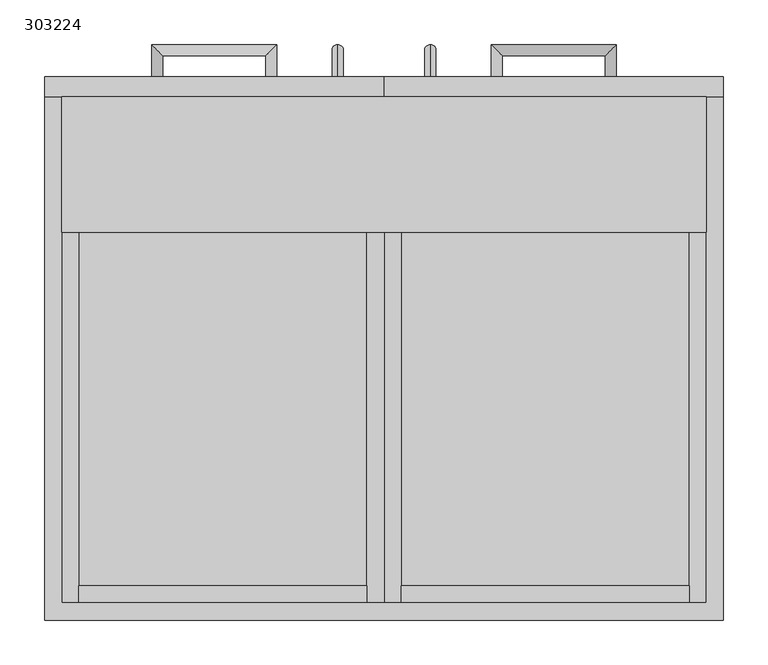
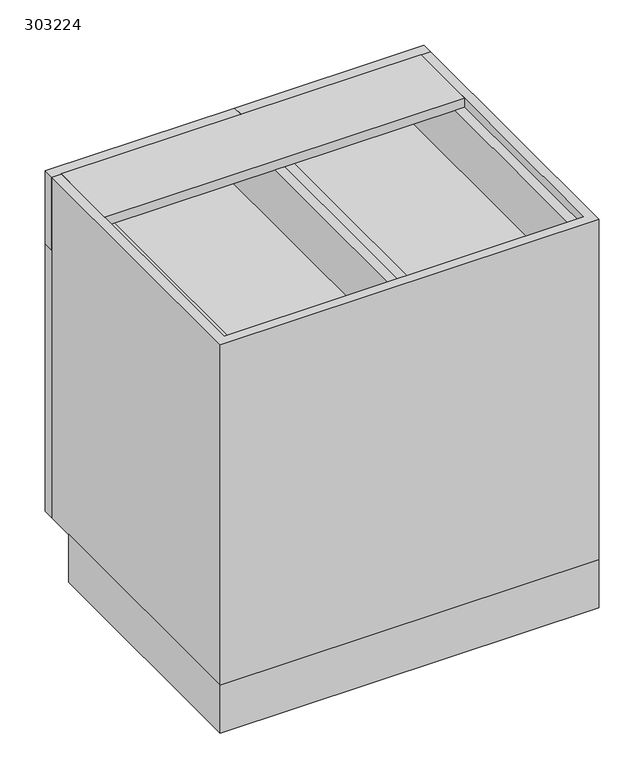
"""IFC4 building model written with IfcOpenShell, lengths in millimetres: furniture geometry, 303224."""

from ifc_helpers import new_model, si_unit, frame, origin, origin_with_axes, place, context, project, spatial, polyline, circle_curve, ellipse_curve, outline, extrude, source, transform, mapped, element, save
from ifc_brep_helpers import plane_surface, cylinder_surface, advanced_brep


def furniture_303224_de51c32a(model_context):
    return source(origin(), model_context, "Body", "SolidModel", [
        extrude(outline(polyline([(-0.4622951, 19.2), (-323.8622951, 19.2), (-323.8622951, 38.4), (-0.4622951, 38.4), (-0.4622951, 19.2)])), frame((0.0, 0.0, 689.125), z_axis=(0.0, 0.0, 1.0), x_axis=(1.0, 0.0, 0.0)), (0.0, 0.0, 1.0), 117.175),
        extrude(outline(polyline([(806.3, -0.4622951), (689.125, -0.4622951), (689.125, -323.8622951), (806.3, -323.8622951), (806.3, -343.0622951), (669.925, -343.0622951), (669.925, 18.7377049), (806.3, 18.7377049), (806.3, -0.4622951)])), frame((0.0, 19.2, 0.0), z_axis=(0.0, 1.0, 0.0), x_axis=(0.0, 0.0, 1.0)), (0.0, 0.0, 1.0), 568.4),
        extrude(outline(polyline([(37.9377049, 19.2), (37.9377049, 38.4), (361.3377049, 38.4), (361.3377049, 19.2), (37.9377049, 19.2)])), frame((0.0, 0.0, 689.125), z_axis=(0.0, 0.0, 1.0), x_axis=(1.0, 0.0, 0.0)), (0.0, 0.0, 1.0), 117.175),
        extrude(outline(polyline([(806.3, 18.7377049), (669.925, 18.7377049), (669.925, 380.5377049), (806.3, 380.5377049), (806.3, 361.3377049), (689.125, 361.3377049), (689.125, 37.9377049), (806.3, 37.9377049), (806.3, 18.7377049)])), frame((0.0, 19.2, 0.0), z_axis=(0.0, 1.0, 0.0), x_axis=(0.0, 0.0, 1.0)), (0.0, 0.0, 1.0), 568.4),
        extrude(outline(polyline([(-362.2622951, 0.0), (-362.2622951, 528.6), (399.7377049, 528.6), (399.7377049, 0.0), (-362.2622951, 0.0)]), holes=[polyline([(-343.0622951, 509.4), (-343.0622951, 19.2), (380.5377049, 19.2), (380.5377049, 509.4), (-343.0622951, 509.4)])]), origin_with_axes(), (0.0, 0.0, 1.0), 101.6),
        extrude(outline(polyline([(380.5377049, 587.6), (380.5377049, 19.2), (-343.0622951, 19.2), (-343.0622951, 587.6), (380.5377049, 587.6)])), frame((0.0, 0.0, 101.6), z_axis=(0.0, 0.0, 1.0), x_axis=(1.0, 0.0, 0.0)), (0.0, 0.0, 1.0), 19.2),
        extrude(outline(polyline([(9.1377049, 19.2), (9.1377049, 587.6), (28.3377049, 587.6), (28.3377049, 19.2), (9.1377049, 19.2)])), frame((0.0, 0.0, 120.8), z_axis=(0.0, 0.0, 1.0), x_axis=(1.0, 0.0, 0.0)), (0.0, 0.0, 1.0), 549.125),
        advanced_brep(
        [(-33.2622951, 609.6, 564.275), (-33.2622951, 609.6, 551.575), (-33.2622951, 633.25, 551.575), (-33.2622951, 645.95, 564.275), (-33.2622951, 633.25, 436.275), (-33.2622951, 645.95, 423.575), (-33.2622951, 609.6, 423.575), (-33.2622951, 609.6, 436.275)],
        [
            (0, 1, circle_curve(frame((-33.2622951, 609.6, 557.925), z_axis=(0.0, -1.0, 0.0), x_axis=(0.0, 0.0, -1.0)), 6.35)),
            (1, 0, circle_curve(frame((-33.2622951, 609.6, 557.925), z_axis=(0.0, -1.0, 0.0), x_axis=(0.0, 0.0, -1.0)), 6.35)),
            (1, 2),
            (2, 3, ellipse_curve(frame((-33.2622951, 639.6, 557.925), z_axis=(0.0, -0.7071067811865475, 0.7071067811865475), x_axis=(0.0, -0.7071067811865476, -0.7071067811865474)), 8.9802561, 6.35)),
            (3, 0),
            (3, 2, ellipse_curve(frame((-33.2622951, 639.6, 557.925), z_axis=(0.0, -0.7071067811865475, 0.7071067811865475), x_axis=(0.0, -0.7071067811865476, -0.7071067811865474)), 8.9802561, 6.35)),
            (2, 4),
            (4, 5, ellipse_curve(frame((-33.2622951, 639.6, 429.925), z_axis=(0.0, 0.7071067811865475, 0.7071067811865475), x_axis=(0.0, -0.7071067811865474, 0.7071067811865476)), 8.9802561, 6.35)),
            (5, 3),
            (5, 4, ellipse_curve(frame((-33.2622951, 639.6, 429.925), z_axis=(0.0, 0.7071067811865475, 0.7071067811865475), x_axis=(0.0, -0.7071067811865474, 0.7071067811865476)), 8.9802561, 6.35)),
            (6, 7, circle_curve(frame((-33.2622951, 609.6, 429.925), z_axis=(0.0, -1.0, 0.0), x_axis=(0.0, 0.0, 1.0)), 6.35)),
            (7, 6, circle_curve(frame((-33.2622951, 609.6, 429.925), z_axis=(0.0, -1.0, 0.0), x_axis=(0.0, 0.0, 1.0)), 6.35)),
            (4, 7),
            (6, 5),
        ],
        [
            plane_surface(frame((-33.2622951, 609.6, 557.925), z_axis=(0.0, -1.0, 0.0), x_axis=(1.0, 0.0, 0.0))),
            cylinder_surface(frame((-33.2622951, 609.6, 557.925), z_axis=(0.0, -1.0, 0.0), x_axis=(0.0, 0.0, -1.0)), 6.35),
            cylinder_surface(frame((-33.2622951, 639.6, 557.925), z_axis=(0.0, 0.0, 1.0), x_axis=(0.0, -1.0, 0.0)), 6.35),
            plane_surface(frame((-33.2622951, 609.6, 429.925), z_axis=(0.0, -1.0, 0.0), x_axis=(1.0, 0.0, 0.0))),
            cylinder_surface(frame((-33.2622951, 639.6, 429.925), z_axis=(0.0, 1.0, 0.0), x_axis=(0.0, 0.0, 1.0)), 6.35),
        ],
        [
            (0, [[1, 2]]),
            (1, [[3, 4, 5, -2]]),
            (1, [[-5, 6, -3, -1]]),
            (2, [[7, 8, 9, -4]]),
            (2, [[-9, 10, -7, -6]]),
            (3, [[11, 12]]),
            (4, [[13, -11, 14, -8]]),
            (4, [[-14, -12, -13, -10]]),
        ],
    ),
        extrude(outline(polyline([(-343.0622951, 435.2), (-343.0622951, 587.6), (380.5377049, 587.6), (380.5377049, 435.2), (-343.0622951, 435.2)])), frame((0.0, 0.0, 806.3), z_axis=(0.0, 0.0, 1.0), x_axis=(1.0, 0.0, 0.0)), (0.0, 0.0, 1.0), 19.2),
        extrude(outline(polyline([(9.1377049, 587.6), (9.1377049, 19.2), (-343.0622951, 19.2), (-343.0622951, 587.6), (9.1377049, 587.6)])), frame((0.0, 0.0, 385.7625), z_axis=(0.0, 0.0, 1.0), x_axis=(1.0, 0.0, 0.0)), (0.0, 0.0, 1.0), 19.2),
        extrude(outline(polyline([(380.5377049, 587.6), (380.5377049, 19.2), (28.3377049, 19.2), (28.3377049, 587.6), (380.5377049, 587.6)])), frame((0.0, 0.0, 385.7625), z_axis=(0.0, 0.0, 1.0), x_axis=(1.0, 0.0, 0.0)), (0.0, 0.0, 1.0), 19.2),
        advanced_brep(
        [(70.7377049, 609.6, 551.575), (70.7377049, 609.6, 564.275), (70.7377049, 645.95, 564.275), (70.7377049, 633.25, 551.575), (70.7377049, 645.95, 423.575), (70.7377049, 633.25, 436.275), (70.7377049, 609.6, 436.275), (70.7377049, 609.6, 423.575)],
        [
            (0, 1, circle_curve(frame((70.7377049, 609.6, 557.925), z_axis=(0.0, -1.0, 0.0), x_axis=(0.0, 0.0, 1.0)), 6.35)),
            (1, 0, circle_curve(frame((70.7377049, 609.6, 557.925), z_axis=(0.0, -1.0, 0.0), x_axis=(0.0, 0.0, 1.0)), 6.35)),
            (1, 2),
            (2, 3, ellipse_curve(frame((70.7377049, 639.6, 557.925), z_axis=(0.0, -0.7071067811865475, 0.7071067811865475), x_axis=(0.0, -0.7071067811865476, -0.7071067811865474)), 8.9802561, 6.35)),
            (3, 0),
            (3, 2, ellipse_curve(frame((70.7377049, 639.6, 557.925), z_axis=(0.0, -0.7071067811865475, 0.7071067811865475), x_axis=(0.0, -0.7071067811865476, -0.7071067811865474)), 8.9802561, 6.35)),
            (2, 4),
            (4, 5, ellipse_curve(frame((70.7377049, 639.6, 429.925), z_axis=(0.0, 0.7071067811865475, 0.7071067811865475), x_axis=(0.0, -0.7071067811865474, 0.7071067811865476)), 8.9802561, 6.35)),
            (5, 3),
            (5, 4, ellipse_curve(frame((70.7377049, 639.6, 429.925), z_axis=(0.0, 0.7071067811865475, 0.7071067811865475), x_axis=(0.0, -0.7071067811865474, 0.7071067811865476)), 8.9802561, 6.35)),
            (6, 7, circle_curve(frame((70.7377049, 609.6, 429.925), z_axis=(0.0, -1.0, 0.0), x_axis=(0.0, 0.0, -1.0)), 6.35)),
            (7, 6, circle_curve(frame((70.7377049, 609.6, 429.925), z_axis=(0.0, -1.0, 0.0), x_axis=(0.0, 0.0, -1.0)), 6.35)),
            (4, 7),
            (6, 5),
        ],
        [
            plane_surface(frame((70.7377049, 609.6, 557.925), z_axis=(0.0, -1.0, 0.0), x_axis=(-1.0, 0.0, 0.0))),
            cylinder_surface(frame((70.7377049, 609.6, 557.925), z_axis=(0.0, -1.0, 0.0), x_axis=(0.0, 0.0, 1.0)), 6.35),
            cylinder_surface(frame((70.7377049, 639.6, 557.925), z_axis=(0.0, 0.0, 1.0), x_axis=(0.0, 1.0, 0.0)), 6.35),
            plane_surface(frame((70.7377049, 609.6, 429.925), z_axis=(0.0, -1.0, 0.0), x_axis=(-1.0, 0.0, 0.0))),
            cylinder_surface(frame((70.7377049, 639.6, 429.925), z_axis=(0.0, 1.0, 0.0), x_axis=(0.0, 0.0, -1.0)), 6.35),
        ],
        [
            (0, [[1, 2]]),
            (1, [[3, 4, 5, -2]]),
            (1, [[-5, 6, -3, -1]]),
            (2, [[7, 8, 9, -4]]),
            (2, [[-9, 10, -7, -6]]),
            (3, [[11, 12]]),
            (4, [[13, -11, 14, -8]]),
            (4, [[-14, -12, -13, -10]]),
        ],
    ),
        advanced_brep(
        [(-114.1122951, 609.6, 747.7125), (-101.4122951, 609.6, 747.7125), (-101.4122951, 645.95, 747.7125), (-114.1122951, 633.25, 747.7125), (-242.1122951, 645.95, 747.7125), (-229.4122951, 633.25, 747.7125), (-229.4122951, 609.6, 747.7125), (-242.1122951, 609.6, 747.7125)],
        [
            (0, 1, circle_curve(frame((-107.7622951, 609.6, 747.7125), z_axis=(0.0, -1.0, 0.0), x_axis=(1.0, 0.0, 0.0)), 6.35)),
            (1, 0, circle_curve(frame((-107.7622951, 609.6, 747.7125), z_axis=(0.0, -1.0, 0.0), x_axis=(1.0, 0.0, 0.0)), 6.35)),
            (1, 2),
            (2, 3, ellipse_curve(frame((-107.7622951, 639.6, 747.7125), z_axis=(0.7071067811865475, -0.7071067811865475, 0.0), x_axis=(-0.7071067811865474, -0.7071067811865476, 0.0)), 8.9802561, 6.35)),
            (3, 0),
            (3, 2, ellipse_curve(frame((-107.7622951, 639.6, 747.7125), z_axis=(0.7071067811865475, -0.7071067811865475, 0.0), x_axis=(-0.7071067811865474, -0.7071067811865476, 0.0)), 8.9802561, 6.35)),
            (2, 4),
            (4, 5, ellipse_curve(frame((-235.7622951, 639.6, 747.7125), z_axis=(0.7071067811865475, 0.7071067811865475, 0.0), x_axis=(0.7071067811865476, -0.7071067811865474, 0.0)), 8.9802561, 6.35)),
            (5, 3),
            (5, 4, ellipse_curve(frame((-235.7622951, 639.6, 747.7125), z_axis=(0.7071067811865475, 0.7071067811865475, 0.0), x_axis=(0.7071067811865476, -0.7071067811865474, 0.0)), 8.9802561, 6.35)),
            (6, 7, circle_curve(frame((-235.7622951, 609.6, 747.7125), z_axis=(0.0, -1.0, 0.0), x_axis=(-1.0, 0.0, 0.0)), 6.35)),
            (7, 6, circle_curve(frame((-235.7622951, 609.6, 747.7125), z_axis=(0.0, -1.0, 0.0), x_axis=(-1.0, 0.0, 0.0)), 6.35)),
            (4, 7),
            (6, 5),
        ],
        [
            plane_surface(frame((-107.7622951, 609.6, 747.7125), z_axis=(0.0, -1.0, 0.0), x_axis=(0.0, 0.0, 1.0))),
            cylinder_surface(frame((-107.7622951, 609.6, 747.7125), z_axis=(0.0, -1.0, 0.0), x_axis=(1.0, 0.0, 0.0)), 6.35),
            cylinder_surface(frame((-107.7622951, 639.6, 747.7125), z_axis=(1.0, 0.0, 0.0), x_axis=(0.0, 1.0, 0.0)), 6.35),
            plane_surface(frame((-235.7622951, 609.6, 747.7125), z_axis=(0.0, -1.0, 0.0), x_axis=(0.0, 0.0, 1.0))),
            cylinder_surface(frame((-235.7622951, 639.6, 747.7125), z_axis=(0.0, 1.0, 0.0), x_axis=(-1.0, 0.0, 0.0)), 6.35),
        ],
        [
            (0, [[1, 2]]),
            (1, [[3, 4, 5, -2]]),
            (1, [[-5, 6, -3, -1]]),
            (2, [[7, 8, 9, -4]]),
            (2, [[-9, 10, -7, -6]]),
            (3, [[11, 12]]),
            (4, [[13, -11, 14, -8]]),
            (4, [[-14, -12, -13, -10]]),
        ],
    ),
        advanced_brep(
        [(138.8877049, 609.6, 747.7125), (151.5877049, 609.6, 747.7125), (151.5877049, 633.25, 747.7125), (138.8877049, 645.95, 747.7125), (266.8877049, 633.25, 747.7125), (279.5877049, 645.95, 747.7125), (279.5877049, 609.6, 747.7125), (266.8877049, 609.6, 747.7125)],
        [
            (0, 1, circle_curve(frame((145.2377049, 609.6, 747.7125), z_axis=(0.0, -1.0, 0.0), x_axis=(1.0, 0.0, 0.0)), 6.35)),
            (1, 0, circle_curve(frame((145.2377049, 609.6, 747.7125), z_axis=(0.0, -1.0, 0.0), x_axis=(1.0, 0.0, 0.0)), 6.35)),
            (1, 2),
            (2, 3, ellipse_curve(frame((145.2377049, 639.6, 747.7125), z_axis=(-0.7071067811865475, -0.7071067811865475, 0.0), x_axis=(0.7071067811865474, -0.7071067811865476, 0.0)), 8.9802561, 6.35)),
            (3, 0),
            (3, 2, ellipse_curve(frame((145.2377049, 639.6, 747.7125), z_axis=(-0.7071067811865475, -0.7071067811865475, 0.0), x_axis=(0.7071067811865474, -0.7071067811865476, 0.0)), 8.9802561, 6.35)),
            (2, 4),
            (4, 5, ellipse_curve(frame((273.2377049, 639.6, 747.7125), z_axis=(-0.7071067811865475, 0.7071067811865475, 0.0), x_axis=(-0.7071067811865476, -0.7071067811865474, 0.0)), 8.9802561, 6.35)),
            (5, 3),
            (5, 4, ellipse_curve(frame((273.2377049, 639.6, 747.7125), z_axis=(-0.7071067811865475, 0.7071067811865475, 0.0), x_axis=(-0.7071067811865476, -0.7071067811865474, 0.0)), 8.9802561, 6.35)),
            (6, 7, circle_curve(frame((273.2377049, 609.6, 747.7125), z_axis=(0.0, -1.0, 0.0), x_axis=(-1.0, 0.0, 0.0)), 6.35)),
            (7, 6, circle_curve(frame((273.2377049, 609.6, 747.7125), z_axis=(0.0, -1.0, 0.0), x_axis=(-1.0, 0.0, 0.0)), 6.35)),
            (4, 7),
            (6, 5),
        ],
        [
            plane_surface(frame((145.2377049, 609.6, 747.7125), z_axis=(0.0, -1.0, 0.0), x_axis=(0.0, 0.0, 1.0))),
            cylinder_surface(frame((145.2377049, 609.6, 747.7125), z_axis=(0.0, -1.0, 0.0), x_axis=(1.0, 0.0, 0.0)), 6.35),
            cylinder_surface(frame((145.2377049, 639.6, 747.7125), z_axis=(-1.0, 0.0, 0.0), x_axis=(0.0, -1.0, 0.0)), 6.35),
            plane_surface(frame((273.2377049, 609.6, 747.7125), z_axis=(0.0, -1.0, 0.0), x_axis=(0.0, 0.0, 1.0))),
            cylinder_surface(frame((273.2377049, 639.6, 747.7125), z_axis=(0.0, 1.0, 0.0), x_axis=(-1.0, 0.0, 0.0)), 6.35),
        ],
        [
            (0, [[1, 2]]),
            (1, [[3, 4, 5, -2]]),
            (1, [[-5, 6, -3, -1]]),
            (2, [[7, 8, 9, -4]]),
            (2, [[-9, 10, -7, -6]]),
            (3, [[11, 12]]),
            (4, [[13, -11, 14, -8]]),
            (4, [[-14, -12, -13, -10]]),
        ],
    ),
        extrude(outline(polyline([(18.7377049, 609.6), (399.7377049, 609.6), (399.7377049, 587.6), (18.7377049, 587.6), (18.7377049, 609.6)])), frame((0.0, 0.0, 669.925), z_axis=(0.0, 0.0, 1.0), x_axis=(1.0, 0.0, 0.0)), (0.0, 0.0, 1.0), 155.575),
        extrude(outline(polyline([(18.7377049, 587.6), (-362.2622951, 587.6), (-362.2622951, 609.6), (18.7377049, 609.6), (18.7377049, 587.6)])), frame((0.0, 0.0, 669.925), z_axis=(0.0, 0.0, 1.0), x_axis=(1.0, 0.0, 0.0)), (0.0, 0.0, 1.0), 155.575),
        extrude(outline(polyline([(18.7377049, 587.6), (18.7377049, 609.6), (399.7377049, 609.6), (399.7377049, 587.6), (18.7377049, 587.6)])), frame((0.0, 0.0, 101.6), z_axis=(0.0, 0.0, 1.0), x_axis=(1.0, 0.0, 0.0)), (0.0, 0.0, 1.0), 568.325),
        extrude(outline(polyline([(-362.2622951, 587.6), (-362.2622951, 609.6), (18.7377049, 609.6), (18.7377049, 587.6), (-362.2622951, 587.6)])), frame((0.0, 0.0, 101.6), z_axis=(0.0, 0.0, 1.0), x_axis=(1.0, 0.0, 0.0)), (0.0, 0.0, 1.0), 568.325),
        extrude(outline(polyline([(399.7377049, 587.6), (399.7377049, 0.0), (-362.2622951, 0.0), (-362.2622951, 587.6), (-343.0622951, 587.6), (-343.0622951, 19.2), (380.5377049, 19.2), (380.5377049, 587.6), (399.7377049, 587.6)])), frame((0.0, 0.0, 101.6), z_axis=(0.0, 0.0, 1.0), x_axis=(1.0, 0.0, 0.0)), (0.0, 0.0, 1.0), 723.9),
    ])


if __name__ == "__main__":
    model = new_model("IFC4")
    model_context = context("Model", 3, world=origin())
    ifc_project = project(units=[si_unit("LENGTHUNIT", "METRE", prefix="MILLI")], contexts=[model_context])
    site = spatial("IfcSite", under=ifc_project)
    building = spatial("IfcBuilding", under=site)
    placement = place(None, origin())
    furniture_303224_shape = furniture_303224_de51c32a(model_context)
    element("IfcFurniture", 1, ObjectType="303224", at=placement, inside=building, context=model_context, shape_type="MappedRepresentation", body=[
        mapped(furniture_303224_shape, transform((0.0, 0.0, 0.0), x_axis=(1.0, 0.0, 0.0), y_axis=(0.0, 1.0, 0.0), z_axis=(0.0, 0.0, 1.0))),
    ])
    save(model, "model.ifc")
